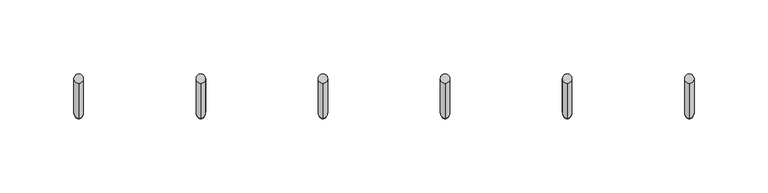
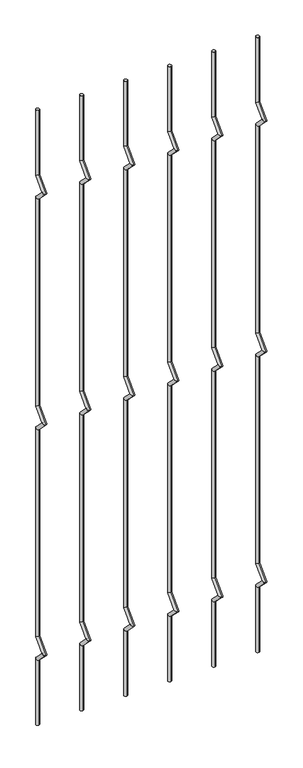
"""IFC4 building model written with IfcOpenShell, lengths in millimetres: railing geometry."""

from ifc_helpers import new_model, si_unit, frame, origin, place, context, project, spatial, circle_curve, ellipse_curve, source, transform, mapped, element, save
from ifc_brep_helpers import plane_surface, cylinder_surface, advanced_brep


def railing_c7742636(model_context):
    return source(origin(), model_context, "Body", "AdvancedBrep", [
        advanced_brep(
        [(-20893.6556958, 14808.5554142, 25.4), (-20893.6556958, 14802.2054142, 25.4), (-20893.6556958, 14802.2054142, 154.0342316), (-20893.6556958, 14808.5554142, 156.6644878), (-20893.6556958, 14778.4396458, 177.8), (-20893.6556958, 14787.419902, 177.8), (-20893.6556958, 14802.2054142, 201.5657684), (-20893.6556958, 14808.5554142, 198.9355122), (-20893.6556958, 14802.2054142, 611.2342316), (-20893.6556958, 14808.5554142, 613.8644878), (-20893.6556958, 14778.4396458, 635.0), (-20893.6556958, 14787.419902, 635.0), (-20893.6556958, 14802.2054142, 658.7657684), (-20893.6556958, 14808.5554142, 656.1355122), (-20893.6556958, 14802.2054142, 1068.4342316), (-20893.6556958, 14808.5554142, 1071.0644878), (-20893.6556958, 14778.4396458, 1092.2), (-20893.6556958, 14787.419902, 1092.2), (-20893.6556958, 14802.2054142, 1115.9657684), (-20893.6556958, 14808.5554142, 1113.3355122), (-20893.6556958, 14808.5554142, 1244.6), (-20893.6556958, 14802.2054142, 1244.6)],
        [
            (0, 1, circle_curve(frame((-20893.6556958, 14805.3804142, 25.4), z_axis=(0.0, 0.0, -1.0), x_axis=(0.0, -1.0, 0.0)), 3.175)),
            (1, 0, circle_curve(frame((-20893.6556958, 14805.3804142, 25.4), z_axis=(0.0, 0.0, -1.0), x_axis=(0.0, -1.0, 0.0)), 3.175)),
            (1, 2),
            (2, 3, ellipse_curve(frame((-20893.6556958, 14805.3804142, 155.3493597), z_axis=(0.0, 0.3826834323650955, -0.9238795325112844), x_axis=(0.0, -0.9238795325112845, -0.38268343236509544)), 3.4365952, 3.175)),
            (3, 0),
            (3, 2, ellipse_curve(frame((-20893.6556958, 14805.3804142, 155.3493597), z_axis=(0.0, 0.3826834323650955, -0.9238795325112844), x_axis=(0.0, -0.9238795325112845, -0.38268343236509544)), 3.4365952, 3.175)),
            (2, 4),
            (4, 5, ellipse_curve(frame((-20893.6556958, 14782.9297739, 177.8), z_axis=(0.0, 0.0, -1.0), x_axis=(0.0, 1.0, 0.0)), 4.4901281, 3.175)),
            (5, 3),
            (5, 4, ellipse_curve(frame((-20893.6556958, 14782.9297739, 177.8), z_axis=(0.0, 0.0, -1.0), x_axis=(0.0, 1.0, 0.0)), 4.4901281, 3.175)),
            (4, 6),
            (6, 7, ellipse_curve(frame((-20893.6556958, 14805.3804142, 200.2506403), z_axis=(0.0, -0.3826834323650839, -0.9238795325112892), x_axis=(0.0, -0.9238795325112893, 0.38268343236508373)), 3.4365952, 3.175)),
            (7, 5),
            (7, 6, ellipse_curve(frame((-20893.6556958, 14805.3804142, 200.2506403), z_axis=(0.0, -0.3826834323650839, -0.9238795325112892), x_axis=(0.0, -0.9238795325112893, 0.38268343236508373)), 3.4365952, 3.175)),
            (6, 8),
            (8, 9, ellipse_curve(frame((-20893.6556958, 14805.3804142, 612.5493597), z_axis=(0.0, 0.3826834323651024, -0.9238795325112816), x_axis=(0.0, -0.9238795325112816, -0.382683432365102)), 3.4365952, 3.175)),
            (9, 7),
            (9, 8, ellipse_curve(frame((-20893.6556958, 14805.3804142, 612.5493597), z_axis=(0.0, 0.3826834323651024, -0.9238795325112816), x_axis=(0.0, -0.9238795325112816, -0.382683432365102)), 3.4365952, 3.175)),
            (8, 10),
            (10, 11, ellipse_curve(frame((-20893.6556958, 14782.9297739, 635.0), z_axis=(0.0, 0.0, -1.0), x_axis=(0.0, 1.0, 0.0)), 4.4901281, 3.175)),
            (11, 9),
            (11, 10, ellipse_curve(frame((-20893.6556958, 14782.9297739, 635.0), z_axis=(0.0, 0.0, -1.0), x_axis=(0.0, 1.0, 0.0)), 4.4901281, 3.175)),
            (10, 12),
            (12, 13, ellipse_curve(frame((-20893.6556958, 14805.3804142, 657.4506403), z_axis=(0.0, -0.3826834323650771, -0.923879532511292), x_axis=(0.0, -0.9238795325112918, 0.3826834323650773)), 3.4365952, 3.175)),
            (13, 11),
            (13, 12, ellipse_curve(frame((-20893.6556958, 14805.3804142, 657.4506403), z_axis=(0.0, -0.3826834323650771, -0.923879532511292), x_axis=(0.0, -0.9238795325112918, 0.3826834323650773)), 3.4365952, 3.175)),
            (12, 14),
            (14, 15, ellipse_curve(frame((-20893.6556958, 14805.3804142, 1069.7493597), z_axis=(0.0, 0.3826834323650978, -0.9238795325112834), x_axis=(0.0, -0.9238795325112834, -0.382683432365098)), 3.4365952, 3.175)),
            (15, 13),
            (15, 14, ellipse_curve(frame((-20893.6556958, 14805.3804142, 1069.7493597), z_axis=(0.0, 0.3826834323650978, -0.9238795325112834), x_axis=(0.0, -0.9238795325112834, -0.382683432365098)), 3.4365952, 3.175)),
            (14, 16),
            (16, 17, ellipse_curve(frame((-20893.6556958, 14782.9297739, 1092.2), z_axis=(0.0, 0.0, -1.0), x_axis=(0.0, 1.0, 0.0)), 4.4901281, 3.175)),
            (17, 15),
            (17, 16, ellipse_curve(frame((-20893.6556958, 14782.9297739, 1092.2), z_axis=(0.0, 0.0, -1.0), x_axis=(0.0, 1.0, 0.0)), 4.4901281, 3.175)),
            (16, 18),
            (18, 19, ellipse_curve(frame((-20893.6556958, 14805.3804142, 1114.6506403), z_axis=(0.0, -0.38268343236508223, -0.9238795325112898), x_axis=(0.0, -0.92387953251129, 0.38268343236508207)), 3.4365952, 3.175)),
            (19, 17),
            (19, 18, ellipse_curve(frame((-20893.6556958, 14805.3804142, 1114.6506403), z_axis=(0.0, -0.38268343236508223, -0.9238795325112898), x_axis=(0.0, -0.92387953251129, 0.38268343236508207)), 3.4365952, 3.175)),
            (20, 21, circle_curve(frame((-20893.6556958, 14805.3804142, 1244.6), z_axis=(0.0, 0.0, 1.0), x_axis=(0.0, -1.0, 0.0)), 3.175)),
            (21, 20, circle_curve(frame((-20893.6556958, 14805.3804142, 1244.6), z_axis=(0.0, 0.0, 1.0), x_axis=(0.0, -1.0, 0.0)), 3.175)),
            (18, 21),
            (20, 19),
        ],
        [
            plane_surface(frame((-20893.6556958, 14805.3804142, 25.4), z_axis=(0.0, 0.0, -1.0), x_axis=(-1.0, 0.0, 0.0))),
            cylinder_surface(frame((-20893.6556958, 14805.3804142, 25.4), z_axis=(0.0, 0.0, -1.0), x_axis=(0.0, -1.0, 0.0)), 3.175),
            cylinder_surface(frame((-20893.6556958, 14805.3804142, 155.3493597), z_axis=(0.0, 0.7071067811865563, -0.7071067811865388), x_axis=(0.0, -0.7071067811865388, -0.7071067811865563)), 3.175),
            cylinder_surface(frame((-20893.6556958, 14782.9297739, 177.8), z_axis=(0.0, -0.7071067811865385, -0.7071067811865568), x_axis=(0.0, -0.7071067811865568, 0.7071067811865385)), 3.175),
            cylinder_surface(frame((-20893.6556958, 14805.3804142, 200.2506403), z_axis=(0.0, 0.0, -1.0), x_axis=(0.0, -1.0, 0.0)), 3.175),
            cylinder_surface(frame((-20893.6556958, 14805.3804142, 612.5493597), z_axis=(0.0, 0.7071067811865669, -0.707106781186528), x_axis=(0.0, -0.707106781186528, -0.7071067811865669)), 3.175),
            cylinder_surface(frame((-20893.6556958, 14782.9297739, 635.0), z_axis=(0.0, -0.7071067811865279, -0.7071067811865672), x_axis=(0.0, -0.7071067811865672, 0.7071067811865279)), 3.175),
            cylinder_surface(frame((-20893.6556958, 14805.3804142, 657.4506403), z_axis=(0.0, 0.0, -1.0), x_axis=(0.0, -1.0, 0.0)), 3.175),
            cylinder_surface(frame((-20893.6556958, 14805.3804142, 1069.7493597), z_axis=(0.0, 0.7071067811865601, -0.707106781186535), x_axis=(0.0, -0.707106781186535, -0.7071067811865601)), 3.175),
            cylinder_surface(frame((-20893.6556958, 14782.9297739, 1092.2), z_axis=(0.0, -0.7071067811865356, -0.7071067811865596), x_axis=(0.0, -0.7071067811865596, 0.7071067811865356)), 3.175),
            plane_surface(frame((-20893.6556958, 14805.3804142, 1244.6), z_axis=(0.0, 0.0, 1.0), x_axis=(-1.0, 0.0, 0.0))),
            cylinder_surface(frame((-20893.6556958, 14805.3804142, 1114.6506403), z_axis=(0.0, 0.0, -1.0), x_axis=(0.0, -1.0, 0.0)), 3.175),
        ],
        [
            (0, [[1, 2]]),
            (1, [[3, 4, 5, -2]]),
            (1, [[-5, 6, -3, -1]]),
            (2, [[7, 8, 9, -4]]),
            (2, [[-9, 10, -7, -6]]),
            (3, [[11, 12, 13, -8]]),
            (3, [[-13, 14, -11, -10]]),
            (4, [[15, 16, 17, -12]]),
            (4, [[-17, 18, -15, -14]]),
            (5, [[19, 20, 21, -16]]),
            (5, [[-21, 22, -19, -18]]),
            (6, [[23, 24, 25, -20]]),
            (6, [[-25, 26, -23, -22]]),
            (7, [[27, 28, 29, -24]]),
            (7, [[-29, 30, -27, -26]]),
            (8, [[31, 32, 33, -28]]),
            (8, [[-33, 34, -31, -30]]),
            (9, [[35, 36, 37, -32]]),
            (9, [[-37, 38, -35, -34]]),
            (10, [[39, 40]]),
            (11, [[41, -39, 42, -36]]),
            (11, [[-42, -40, -41, -38]]),
        ],
    ),
        advanced_brep(
        [(-20811.1056958, 14808.5554142, 25.4), (-20811.1056958, 14802.2054142, 25.4), (-20811.1056958, 14802.2054142, 154.0342316), (-20811.1056958, 14808.5554142, 156.6644878), (-20811.1056958, 14778.4396458, 177.8), (-20811.1056958, 14787.419902, 177.8), (-20811.1056958, 14802.2054142, 201.5657684), (-20811.1056958, 14808.5554142, 198.9355122), (-20811.1056958, 14802.2054142, 611.2342316), (-20811.1056958, 14808.5554142, 613.8644878), (-20811.1056958, 14778.4396458, 635.0), (-20811.1056958, 14787.419902, 635.0), (-20811.1056958, 14802.2054142, 658.7657684), (-20811.1056958, 14808.5554142, 656.1355122), (-20811.1056958, 14802.2054142, 1068.4342316), (-20811.1056958, 14808.5554142, 1071.0644878), (-20811.1056958, 14778.4396458, 1092.2), (-20811.1056958, 14787.419902, 1092.2), (-20811.1056958, 14802.2054142, 1115.9657684), (-20811.1056958, 14808.5554142, 1113.3355122), (-20811.1056958, 14808.5554142, 1244.6), (-20811.1056958, 14802.2054142, 1244.6)],
        [
            (0, 1, circle_curve(frame((-20811.1056958, 14805.3804142, 25.4), z_axis=(0.0, 0.0, -1.0), x_axis=(0.0, -1.0, 0.0)), 3.175)),
            (1, 0, circle_curve(frame((-20811.1056958, 14805.3804142, 25.4), z_axis=(0.0, 0.0, -1.0), x_axis=(0.0, -1.0, 0.0)), 3.175)),
            (1, 2),
            (2, 3, ellipse_curve(frame((-20811.1056958, 14805.3804142, 155.3493597), z_axis=(0.0, 0.3826834323650955, -0.9238795325112844), x_axis=(0.0, -0.9238795325112845, -0.38268343236509544)), 3.4365952, 3.175)),
            (3, 0),
            (3, 2, ellipse_curve(frame((-20811.1056958, 14805.3804142, 155.3493597), z_axis=(0.0, 0.3826834323650955, -0.9238795325112844), x_axis=(0.0, -0.9238795325112845, -0.38268343236509544)), 3.4365952, 3.175)),
            (2, 4),
            (4, 5, ellipse_curve(frame((-20811.1056958, 14782.9297739, 177.8), z_axis=(0.0, 0.0, -1.0), x_axis=(0.0, 1.0, 0.0)), 4.4901281, 3.175)),
            (5, 3),
            (5, 4, ellipse_curve(frame((-20811.1056958, 14782.9297739, 177.8), z_axis=(0.0, 0.0, -1.0), x_axis=(0.0, 1.0, 0.0)), 4.4901281, 3.175)),
            (4, 6),
            (6, 7, ellipse_curve(frame((-20811.1056958, 14805.3804142, 200.2506403), z_axis=(0.0, -0.3826834323650839, -0.9238795325112892), x_axis=(0.0, -0.9238795325112893, 0.38268343236508373)), 3.4365952, 3.175)),
            (7, 5),
            (7, 6, ellipse_curve(frame((-20811.1056958, 14805.3804142, 200.2506403), z_axis=(0.0, -0.3826834323650839, -0.9238795325112892), x_axis=(0.0, -0.9238795325112893, 0.38268343236508373)), 3.4365952, 3.175)),
            (6, 8),
            (8, 9, ellipse_curve(frame((-20811.1056958, 14805.3804142, 612.5493597), z_axis=(0.0, 0.3826834323651024, -0.9238795325112816), x_axis=(0.0, -0.9238795325112816, -0.382683432365102)), 3.4365952, 3.175)),
            (9, 7),
            (9, 8, ellipse_curve(frame((-20811.1056958, 14805.3804142, 612.5493597), z_axis=(0.0, 0.3826834323651024, -0.9238795325112816), x_axis=(0.0, -0.9238795325112816, -0.382683432365102)), 3.4365952, 3.175)),
            (8, 10),
            (10, 11, ellipse_curve(frame((-20811.1056958, 14782.9297739, 635.0), z_axis=(0.0, 0.0, -1.0), x_axis=(0.0, 1.0, 0.0)), 4.4901281, 3.175)),
            (11, 9),
            (11, 10, ellipse_curve(frame((-20811.1056958, 14782.9297739, 635.0), z_axis=(0.0, 0.0, -1.0), x_axis=(0.0, 1.0, 0.0)), 4.4901281, 3.175)),
            (10, 12),
            (12, 13, ellipse_curve(frame((-20811.1056958, 14805.3804142, 657.4506403), z_axis=(0.0, -0.3826834323650771, -0.923879532511292), x_axis=(0.0, -0.9238795325112918, 0.3826834323650773)), 3.4365952, 3.175)),
            (13, 11),
            (13, 12, ellipse_curve(frame((-20811.1056958, 14805.3804142, 657.4506403), z_axis=(0.0, -0.3826834323650771, -0.923879532511292), x_axis=(0.0, -0.9238795325112918, 0.3826834323650773)), 3.4365952, 3.175)),
            (12, 14),
            (14, 15, ellipse_curve(frame((-20811.1056958, 14805.3804142, 1069.7493597), z_axis=(0.0, 0.3826834323650978, -0.9238795325112834), x_axis=(0.0, -0.9238795325112834, -0.382683432365098)), 3.4365952, 3.175)),
            (15, 13),
            (15, 14, ellipse_curve(frame((-20811.1056958, 14805.3804142, 1069.7493597), z_axis=(0.0, 0.3826834323650978, -0.9238795325112834), x_axis=(0.0, -0.9238795325112834, -0.382683432365098)), 3.4365952, 3.175)),
            (14, 16),
            (16, 17, ellipse_curve(frame((-20811.1056958, 14782.9297739, 1092.2), z_axis=(0.0, 0.0, -1.0), x_axis=(0.0, 1.0, 0.0)), 4.4901281, 3.175)),
            (17, 15),
            (17, 16, ellipse_curve(frame((-20811.1056958, 14782.9297739, 1092.2), z_axis=(0.0, 0.0, -1.0), x_axis=(0.0, 1.0, 0.0)), 4.4901281, 3.175)),
            (16, 18),
            (18, 19, ellipse_curve(frame((-20811.1056958, 14805.3804142, 1114.6506403), z_axis=(0.0, -0.38268343236508223, -0.9238795325112898), x_axis=(0.0, -0.92387953251129, 0.38268343236508207)), 3.4365952, 3.175)),
            (19, 17),
            (19, 18, ellipse_curve(frame((-20811.1056958, 14805.3804142, 1114.6506403), z_axis=(0.0, -0.38268343236508223, -0.9238795325112898), x_axis=(0.0, -0.92387953251129, 0.38268343236508207)), 3.4365952, 3.175)),
            (20, 21, circle_curve(frame((-20811.1056958, 14805.3804142, 1244.6), z_axis=(0.0, 0.0, 1.0), x_axis=(0.0, -1.0, 0.0)), 3.175)),
            (21, 20, circle_curve(frame((-20811.1056958, 14805.3804142, 1244.6), z_axis=(0.0, 0.0, 1.0), x_axis=(0.0, -1.0, 0.0)), 3.175)),
            (18, 21),
            (20, 19),
        ],
        [
            plane_surface(frame((-20811.1056958, 14805.3804142, 25.4), z_axis=(0.0, 0.0, -1.0), x_axis=(-1.0, 0.0, 0.0))),
            cylinder_surface(frame((-20811.1056958, 14805.3804142, 25.4), z_axis=(0.0, 0.0, -1.0), x_axis=(0.0, -1.0, 0.0)), 3.175),
            cylinder_surface(frame((-20811.1056958, 14805.3804142, 155.3493597), z_axis=(0.0, 0.7071067811865563, -0.7071067811865388), x_axis=(0.0, -0.7071067811865388, -0.7071067811865563)), 3.175),
            cylinder_surface(frame((-20811.1056958, 14782.9297739, 177.8), z_axis=(0.0, -0.7071067811865385, -0.7071067811865568), x_axis=(0.0, -0.7071067811865568, 0.7071067811865385)), 3.175),
            cylinder_surface(frame((-20811.1056958, 14805.3804142, 200.2506403), z_axis=(0.0, 0.0, -1.0), x_axis=(0.0, -1.0, 0.0)), 3.175),
            cylinder_surface(frame((-20811.1056958, 14805.3804142, 612.5493597), z_axis=(0.0, 0.7071067811865669, -0.707106781186528), x_axis=(0.0, -0.707106781186528, -0.7071067811865669)), 3.175),
            cylinder_surface(frame((-20811.1056958, 14782.9297739, 635.0), z_axis=(0.0, -0.7071067811865279, -0.7071067811865672), x_axis=(0.0, -0.7071067811865672, 0.7071067811865279)), 3.175),
            cylinder_surface(frame((-20811.1056958, 14805.3804142, 657.4506403), z_axis=(0.0, 0.0, -1.0), x_axis=(0.0, -1.0, 0.0)), 3.175),
            cylinder_surface(frame((-20811.1056958, 14805.3804142, 1069.7493597), z_axis=(0.0, 0.7071067811865601, -0.707106781186535), x_axis=(0.0, -0.707106781186535, -0.7071067811865601)), 3.175),
            cylinder_surface(frame((-20811.1056958, 14782.9297739, 1092.2), z_axis=(0.0, -0.7071067811865356, -0.7071067811865596), x_axis=(0.0, -0.7071067811865596, 0.7071067811865356)), 3.175),
            plane_surface(frame((-20811.1056958, 14805.3804142, 1244.6), z_axis=(0.0, 0.0, 1.0), x_axis=(-1.0, 0.0, 0.0))),
            cylinder_surface(frame((-20811.1056958, 14805.3804142, 1114.6506403), z_axis=(0.0, 0.0, -1.0), x_axis=(0.0, -1.0, 0.0)), 3.175),
        ],
        [
            (0, [[1, 2]]),
            (1, [[3, 4, 5, -2]]),
            (1, [[-5, 6, -3, -1]]),
            (2, [[7, 8, 9, -4]]),
            (2, [[-9, 10, -7, -6]]),
            (3, [[11, 12, 13, -8]]),
            (3, [[-13, 14, -11, -10]]),
            (4, [[15, 16, 17, -12]]),
            (4, [[-17, 18, -15, -14]]),
            (5, [[19, 20, 21, -16]]),
            (5, [[-21, 22, -19, -18]]),
            (6, [[23, 24, 25, -20]]),
            (6, [[-25, 26, -23, -22]]),
            (7, [[27, 28, 29, -24]]),
            (7, [[-29, 30, -27, -26]]),
            (8, [[31, 32, 33, -28]]),
            (8, [[-33, 34, -31, -30]]),
            (9, [[35, 36, 37, -32]]),
            (9, [[-37, 38, -35, -34]]),
            (10, [[39, 40]]),
            (11, [[41, -39, 42, -36]]),
            (11, [[-42, -40, -41, -38]]),
        ],
    ),
        advanced_brep(
        [(-20728.5556958, 14808.5554142, 25.4), (-20728.5556958, 14802.2054142, 25.4), (-20728.5556958, 14802.2054142, 154.0342316), (-20728.5556958, 14808.5554142, 156.6644878), (-20728.5556958, 14778.4396458, 177.8), (-20728.5556958, 14787.419902, 177.8), (-20728.5556958, 14802.2054142, 201.5657684), (-20728.5556958, 14808.5554142, 198.9355122), (-20728.5556958, 14802.2054142, 611.2342316), (-20728.5556958, 14808.5554142, 613.8644878), (-20728.5556958, 14778.4396458, 635.0), (-20728.5556958, 14787.419902, 635.0), (-20728.5556958, 14802.2054142, 658.7657684), (-20728.5556958, 14808.5554142, 656.1355122), (-20728.5556958, 14802.2054142, 1068.4342316), (-20728.5556958, 14808.5554142, 1071.0644878), (-20728.5556958, 14778.4396458, 1092.2), (-20728.5556958, 14787.419902, 1092.2), (-20728.5556958, 14802.2054142, 1115.9657684), (-20728.5556958, 14808.5554142, 1113.3355122), (-20728.5556958, 14808.5554142, 1244.6), (-20728.5556958, 14802.2054142, 1244.6)],
        [
            (0, 1, circle_curve(frame((-20728.5556958, 14805.3804142, 25.4), z_axis=(0.0, 0.0, -1.0), x_axis=(0.0, -1.0, 0.0)), 3.175)),
            (1, 0, circle_curve(frame((-20728.5556958, 14805.3804142, 25.4), z_axis=(0.0, 0.0, -1.0), x_axis=(0.0, -1.0, 0.0)), 3.175)),
            (1, 2),
            (2, 3, ellipse_curve(frame((-20728.5556958, 14805.3804142, 155.3493597), z_axis=(0.0, 0.3826834323650955, -0.9238795325112844), x_axis=(0.0, -0.9238795325112845, -0.38268343236509544)), 3.4365952, 3.175)),
            (3, 0),
            (3, 2, ellipse_curve(frame((-20728.5556958, 14805.3804142, 155.3493597), z_axis=(0.0, 0.3826834323650955, -0.9238795325112844), x_axis=(0.0, -0.9238795325112845, -0.38268343236509544)), 3.4365952, 3.175)),
            (2, 4),
            (4, 5, ellipse_curve(frame((-20728.5556958, 14782.9297739, 177.8), z_axis=(0.0, 0.0, -1.0), x_axis=(0.0, 1.0, 0.0)), 4.4901281, 3.175)),
            (5, 3),
            (5, 4, ellipse_curve(frame((-20728.5556958, 14782.9297739, 177.8), z_axis=(0.0, 0.0, -1.0), x_axis=(0.0, 1.0, 0.0)), 4.4901281, 3.175)),
            (4, 6),
            (6, 7, ellipse_curve(frame((-20728.5556958, 14805.3804142, 200.2506403), z_axis=(0.0, -0.3826834323650839, -0.9238795325112892), x_axis=(0.0, -0.9238795325112893, 0.38268343236508373)), 3.4365952, 3.175)),
            (7, 5),
            (7, 6, ellipse_curve(frame((-20728.5556958, 14805.3804142, 200.2506403), z_axis=(0.0, -0.3826834323650839, -0.9238795325112892), x_axis=(0.0, -0.9238795325112893, 0.38268343236508373)), 3.4365952, 3.175)),
            (6, 8),
            (8, 9, ellipse_curve(frame((-20728.5556958, 14805.3804142, 612.5493597), z_axis=(0.0, 0.3826834323651024, -0.9238795325112816), x_axis=(0.0, -0.9238795325112816, -0.382683432365102)), 3.4365952, 3.175)),
            (9, 7),
            (9, 8, ellipse_curve(frame((-20728.5556958, 14805.3804142, 612.5493597), z_axis=(0.0, 0.3826834323651024, -0.9238795325112816), x_axis=(0.0, -0.9238795325112816, -0.382683432365102)), 3.4365952, 3.175)),
            (8, 10),
            (10, 11, ellipse_curve(frame((-20728.5556958, 14782.9297739, 635.0), z_axis=(0.0, 0.0, -1.0), x_axis=(0.0, 1.0, 0.0)), 4.4901281, 3.175)),
            (11, 9),
            (11, 10, ellipse_curve(frame((-20728.5556958, 14782.9297739, 635.0), z_axis=(0.0, 0.0, -1.0), x_axis=(0.0, 1.0, 0.0)), 4.4901281, 3.175)),
            (10, 12),
            (12, 13, ellipse_curve(frame((-20728.5556958, 14805.3804142, 657.4506403), z_axis=(0.0, -0.3826834323650771, -0.923879532511292), x_axis=(0.0, -0.9238795325112918, 0.3826834323650773)), 3.4365952, 3.175)),
            (13, 11),
            (13, 12, ellipse_curve(frame((-20728.5556958, 14805.3804142, 657.4506403), z_axis=(0.0, -0.3826834323650771, -0.923879532511292), x_axis=(0.0, -0.9238795325112918, 0.3826834323650773)), 3.4365952, 3.175)),
            (12, 14),
            (14, 15, ellipse_curve(frame((-20728.5556958, 14805.3804142, 1069.7493597), z_axis=(0.0, 0.3826834323650978, -0.9238795325112834), x_axis=(0.0, -0.9238795325112834, -0.382683432365098)), 3.4365952, 3.175)),
            (15, 13),
            (15, 14, ellipse_curve(frame((-20728.5556958, 14805.3804142, 1069.7493597), z_axis=(0.0, 0.3826834323650978, -0.9238795325112834), x_axis=(0.0, -0.9238795325112834, -0.382683432365098)), 3.4365952, 3.175)),
            (14, 16),
            (16, 17, ellipse_curve(frame((-20728.5556958, 14782.9297739, 1092.2), z_axis=(0.0, 0.0, -1.0), x_axis=(0.0, 1.0, 0.0)), 4.4901281, 3.175)),
            (17, 15),
            (17, 16, ellipse_curve(frame((-20728.5556958, 14782.9297739, 1092.2), z_axis=(0.0, 0.0, -1.0), x_axis=(0.0, 1.0, 0.0)), 4.4901281, 3.175)),
            (16, 18),
            (18, 19, ellipse_curve(frame((-20728.5556958, 14805.3804142, 1114.6506403), z_axis=(0.0, -0.38268343236508223, -0.9238795325112898), x_axis=(0.0, -0.92387953251129, 0.38268343236508207)), 3.4365952, 3.175)),
            (19, 17),
            (19, 18, ellipse_curve(frame((-20728.5556958, 14805.3804142, 1114.6506403), z_axis=(0.0, -0.38268343236508223, -0.9238795325112898), x_axis=(0.0, -0.92387953251129, 0.38268343236508207)), 3.4365952, 3.175)),
            (20, 21, circle_curve(frame((-20728.5556958, 14805.3804142, 1244.6), z_axis=(0.0, 0.0, 1.0), x_axis=(0.0, -1.0, 0.0)), 3.175)),
            (21, 20, circle_curve(frame((-20728.5556958, 14805.3804142, 1244.6), z_axis=(0.0, 0.0, 1.0), x_axis=(0.0, -1.0, 0.0)), 3.175)),
            (18, 21),
            (20, 19),
        ],
        [
            plane_surface(frame((-20728.5556958, 14805.3804142, 25.4), z_axis=(0.0, 0.0, -1.0), x_axis=(-1.0, 0.0, 0.0))),
            cylinder_surface(frame((-20728.5556958, 14805.3804142, 25.4), z_axis=(0.0, 0.0, -1.0), x_axis=(0.0, -1.0, 0.0)), 3.175),
            cylinder_surface(frame((-20728.5556958, 14805.3804142, 155.3493597), z_axis=(0.0, 0.7071067811865563, -0.7071067811865388), x_axis=(0.0, -0.7071067811865388, -0.7071067811865563)), 3.175),
            cylinder_surface(frame((-20728.5556958, 14782.9297739, 177.8), z_axis=(0.0, -0.7071067811865385, -0.7071067811865568), x_axis=(0.0, -0.7071067811865568, 0.7071067811865385)), 3.175),
            cylinder_surface(frame((-20728.5556958, 14805.3804142, 200.2506403), z_axis=(0.0, 0.0, -1.0), x_axis=(0.0, -1.0, 0.0)), 3.175),
            cylinder_surface(frame((-20728.5556958, 14805.3804142, 612.5493597), z_axis=(0.0, 0.7071067811865669, -0.707106781186528), x_axis=(0.0, -0.707106781186528, -0.7071067811865669)), 3.175),
            cylinder_surface(frame((-20728.5556958, 14782.9297739, 635.0), z_axis=(0.0, -0.7071067811865279, -0.7071067811865672), x_axis=(0.0, -0.7071067811865672, 0.7071067811865279)), 3.175),
            cylinder_surface(frame((-20728.5556958, 14805.3804142, 657.4506403), z_axis=(0.0, 0.0, -1.0), x_axis=(0.0, -1.0, 0.0)), 3.175),
            cylinder_surface(frame((-20728.5556958, 14805.3804142, 1069.7493597), z_axis=(0.0, 0.7071067811865601, -0.707106781186535), x_axis=(0.0, -0.707106781186535, -0.7071067811865601)), 3.175),
            cylinder_surface(frame((-20728.5556958, 14782.9297739, 1092.2), z_axis=(0.0, -0.7071067811865356, -0.7071067811865596), x_axis=(0.0, -0.7071067811865596, 0.7071067811865356)), 3.175),
            plane_surface(frame((-20728.5556958, 14805.3804142, 1244.6), z_axis=(0.0, 0.0, 1.0), x_axis=(-1.0, 0.0, 0.0))),
            cylinder_surface(frame((-20728.5556958, 14805.3804142, 1114.6506403), z_axis=(0.0, 0.0, -1.0), x_axis=(0.0, -1.0, 0.0)), 3.175),
        ],
        [
            (0, [[1, 2]]),
            (1, [[3, 4, 5, -2]]),
            (1, [[-5, 6, -3, -1]]),
            (2, [[7, 8, 9, -4]]),
            (2, [[-9, 10, -7, -6]]),
            (3, [[11, 12, 13, -8]]),
            (3, [[-13, 14, -11, -10]]),
            (4, [[15, 16, 17, -12]]),
            (4, [[-17, 18, -15, -14]]),
            (5, [[19, 20, 21, -16]]),
            (5, [[-21, 22, -19, -18]]),
            (6, [[23, 24, 25, -20]]),
            (6, [[-25, 26, -23, -22]]),
            (7, [[27, 28, 29, -24]]),
            (7, [[-29, 30, -27, -26]]),
            (8, [[31, 32, 33, -28]]),
            (8, [[-33, 34, -31, -30]]),
            (9, [[35, 36, 37, -32]]),
            (9, [[-37, 38, -35, -34]]),
            (10, [[39, 40]]),
            (11, [[41, -39, 42, -36]]),
            (11, [[-42, -40, -41, -38]]),
        ],
    ),
        advanced_brep(
        [(-20646.0056958, 14808.5554142, 25.4), (-20646.0056958, 14802.2054142, 25.4), (-20646.0056958, 14802.2054142, 154.0342316), (-20646.0056958, 14808.5554142, 156.6644878), (-20646.0056958, 14778.4396458, 177.8), (-20646.0056958, 14787.419902, 177.8), (-20646.0056958, 14802.2054142, 201.5657684), (-20646.0056958, 14808.5554142, 198.9355122), (-20646.0056958, 14802.2054142, 611.2342316), (-20646.0056958, 14808.5554142, 613.8644878), (-20646.0056958, 14778.4396458, 635.0), (-20646.0056958, 14787.419902, 635.0), (-20646.0056958, 14802.2054142, 658.7657684), (-20646.0056958, 14808.5554142, 656.1355122), (-20646.0056958, 14802.2054142, 1068.4342316), (-20646.0056958, 14808.5554142, 1071.0644878), (-20646.0056958, 14778.4396458, 1092.2), (-20646.0056958, 14787.419902, 1092.2), (-20646.0056958, 14802.2054142, 1115.9657684), (-20646.0056958, 14808.5554142, 1113.3355122), (-20646.0056958, 14808.5554142, 1244.6), (-20646.0056958, 14802.2054142, 1244.6)],
        [
            (0, 1, circle_curve(frame((-20646.0056958, 14805.3804142, 25.4), z_axis=(0.0, 0.0, -1.0), x_axis=(0.0, -1.0, 0.0)), 3.175)),
            (1, 0, circle_curve(frame((-20646.0056958, 14805.3804142, 25.4), z_axis=(0.0, 0.0, -1.0), x_axis=(0.0, -1.0, 0.0)), 3.175)),
            (1, 2),
            (2, 3, ellipse_curve(frame((-20646.0056958, 14805.3804142, 155.3493597), z_axis=(0.0, 0.3826834323650955, -0.9238795325112844), x_axis=(0.0, -0.9238795325112845, -0.38268343236509544)), 3.4365952, 3.175)),
            (3, 0),
            (3, 2, ellipse_curve(frame((-20646.0056958, 14805.3804142, 155.3493597), z_axis=(0.0, 0.3826834323650955, -0.9238795325112844), x_axis=(0.0, -0.9238795325112845, -0.38268343236509544)), 3.4365952, 3.175)),
            (2, 4),
            (4, 5, ellipse_curve(frame((-20646.0056958, 14782.9297739, 177.8), z_axis=(0.0, 0.0, -1.0), x_axis=(0.0, 1.0, 0.0)), 4.4901281, 3.175)),
            (5, 3),
            (5, 4, ellipse_curve(frame((-20646.0056958, 14782.9297739, 177.8), z_axis=(0.0, 0.0, -1.0), x_axis=(0.0, 1.0, 0.0)), 4.4901281, 3.175)),
            (4, 6),
            (6, 7, ellipse_curve(frame((-20646.0056958, 14805.3804142, 200.2506403), z_axis=(0.0, -0.3826834323650839, -0.9238795325112892), x_axis=(0.0, -0.9238795325112893, 0.38268343236508373)), 3.4365952, 3.175)),
            (7, 5),
            (7, 6, ellipse_curve(frame((-20646.0056958, 14805.3804142, 200.2506403), z_axis=(0.0, -0.3826834323650839, -0.9238795325112892), x_axis=(0.0, -0.9238795325112893, 0.38268343236508373)), 3.4365952, 3.175)),
            (6, 8),
            (8, 9, ellipse_curve(frame((-20646.0056958, 14805.3804142, 612.5493597), z_axis=(0.0, 0.3826834323651024, -0.9238795325112816), x_axis=(0.0, -0.9238795325112816, -0.382683432365102)), 3.4365952, 3.175)),
            (9, 7),
            (9, 8, ellipse_curve(frame((-20646.0056958, 14805.3804142, 612.5493597), z_axis=(0.0, 0.3826834323651024, -0.9238795325112816), x_axis=(0.0, -0.9238795325112816, -0.382683432365102)), 3.4365952, 3.175)),
            (8, 10),
            (10, 11, ellipse_curve(frame((-20646.0056958, 14782.9297739, 635.0), z_axis=(0.0, 0.0, -1.0), x_axis=(0.0, 1.0, 0.0)), 4.4901281, 3.175)),
            (11, 9),
            (11, 10, ellipse_curve(frame((-20646.0056958, 14782.9297739, 635.0), z_axis=(0.0, 0.0, -1.0), x_axis=(0.0, 1.0, 0.0)), 4.4901281, 3.175)),
            (10, 12),
            (12, 13, ellipse_curve(frame((-20646.0056958, 14805.3804142, 657.4506403), z_axis=(0.0, -0.3826834323650771, -0.923879532511292), x_axis=(0.0, -0.9238795325112918, 0.3826834323650773)), 3.4365952, 3.175)),
            (13, 11),
            (13, 12, ellipse_curve(frame((-20646.0056958, 14805.3804142, 657.4506403), z_axis=(0.0, -0.3826834323650771, -0.923879532511292), x_axis=(0.0, -0.9238795325112918, 0.3826834323650773)), 3.4365952, 3.175)),
            (12, 14),
            (14, 15, ellipse_curve(frame((-20646.0056958, 14805.3804142, 1069.7493597), z_axis=(0.0, 0.3826834323650978, -0.9238795325112834), x_axis=(0.0, -0.9238795325112834, -0.382683432365098)), 3.4365952, 3.175)),
            (15, 13),
            (15, 14, ellipse_curve(frame((-20646.0056958, 14805.3804142, 1069.7493597), z_axis=(0.0, 0.3826834323650978, -0.9238795325112834), x_axis=(0.0, -0.9238795325112834, -0.382683432365098)), 3.4365952, 3.175)),
            (14, 16),
            (16, 17, ellipse_curve(frame((-20646.0056958, 14782.9297739, 1092.2), z_axis=(0.0, 0.0, -1.0), x_axis=(0.0, 1.0, 0.0)), 4.4901281, 3.175)),
            (17, 15),
            (17, 16, ellipse_curve(frame((-20646.0056958, 14782.9297739, 1092.2), z_axis=(0.0, 0.0, -1.0), x_axis=(0.0, 1.0, 0.0)), 4.4901281, 3.175)),
            (16, 18),
            (18, 19, ellipse_curve(frame((-20646.0056958, 14805.3804142, 1114.6506403), z_axis=(0.0, -0.38268343236508223, -0.9238795325112898), x_axis=(0.0, -0.92387953251129, 0.38268343236508207)), 3.4365952, 3.175)),
            (19, 17),
            (19, 18, ellipse_curve(frame((-20646.0056958, 14805.3804142, 1114.6506403), z_axis=(0.0, -0.38268343236508223, -0.9238795325112898), x_axis=(0.0, -0.92387953251129, 0.38268343236508207)), 3.4365952, 3.175)),
            (20, 21, circle_curve(frame((-20646.0056958, 14805.3804142, 1244.6), z_axis=(0.0, 0.0, 1.0), x_axis=(0.0, -1.0, 0.0)), 3.175)),
            (21, 20, circle_curve(frame((-20646.0056958, 14805.3804142, 1244.6), z_axis=(0.0, 0.0, 1.0), x_axis=(0.0, -1.0, 0.0)), 3.175)),
            (18, 21),
            (20, 19),
        ],
        [
            plane_surface(frame((-20646.0056958, 14805.3804142, 25.4), z_axis=(0.0, 0.0, -1.0), x_axis=(-1.0, 0.0, 0.0))),
            cylinder_surface(frame((-20646.0056958, 14805.3804142, 25.4), z_axis=(0.0, 0.0, -1.0), x_axis=(0.0, -1.0, 0.0)), 3.175),
            cylinder_surface(frame((-20646.0056958, 14805.3804142, 155.3493597), z_axis=(0.0, 0.7071067811865563, -0.7071067811865388), x_axis=(0.0, -0.7071067811865388, -0.7071067811865563)), 3.175),
            cylinder_surface(frame((-20646.0056958, 14782.9297739, 177.8), z_axis=(0.0, -0.7071067811865385, -0.7071067811865568), x_axis=(0.0, -0.7071067811865568, 0.7071067811865385)), 3.175),
            cylinder_surface(frame((-20646.0056958, 14805.3804142, 200.2506403), z_axis=(0.0, 0.0, -1.0), x_axis=(0.0, -1.0, 0.0)), 3.175),
            cylinder_surface(frame((-20646.0056958, 14805.3804142, 612.5493597), z_axis=(0.0, 0.7071067811865669, -0.707106781186528), x_axis=(0.0, -0.707106781186528, -0.7071067811865669)), 3.175),
            cylinder_surface(frame((-20646.0056958, 14782.9297739, 635.0), z_axis=(0.0, -0.7071067811865279, -0.7071067811865672), x_axis=(0.0, -0.7071067811865672, 0.7071067811865279)), 3.175),
            cylinder_surface(frame((-20646.0056958, 14805.3804142, 657.4506403), z_axis=(0.0, 0.0, -1.0), x_axis=(0.0, -1.0, 0.0)), 3.175),
            cylinder_surface(frame((-20646.0056958, 14805.3804142, 1069.7493597), z_axis=(0.0, 0.7071067811865601, -0.707106781186535), x_axis=(0.0, -0.707106781186535, -0.7071067811865601)), 3.175),
            cylinder_surface(frame((-20646.0056958, 14782.9297739, 1092.2), z_axis=(0.0, -0.7071067811865356, -0.7071067811865596), x_axis=(0.0, -0.7071067811865596, 0.7071067811865356)), 3.175),
            plane_surface(frame((-20646.0056958, 14805.3804142, 1244.6), z_axis=(0.0, 0.0, 1.0), x_axis=(-1.0, 0.0, 0.0))),
            cylinder_surface(frame((-20646.0056958, 14805.3804142, 1114.6506403), z_axis=(0.0, 0.0, -1.0), x_axis=(0.0, -1.0, 0.0)), 3.175),
        ],
        [
            (0, [[1, 2]]),
            (1, [[3, 4, 5, -2]]),
            (1, [[-5, 6, -3, -1]]),
            (2, [[7, 8, 9, -4]]),
            (2, [[-9, 10, -7, -6]]),
            (3, [[11, 12, 13, -8]]),
            (3, [[-13, 14, -11, -10]]),
            (4, [[15, 16, 17, -12]]),
            (4, [[-17, 18, -15, -14]]),
            (5, [[19, 20, 21, -16]]),
            (5, [[-21, 22, -19, -18]]),
            (6, [[23, 24, 25, -20]]),
            (6, [[-25, 26, -23, -22]]),
            (7, [[27, 28, 29, -24]]),
            (7, [[-29, 30, -27, -26]]),
            (8, [[31, 32, 33, -28]]),
            (8, [[-33, 34, -31, -30]]),
            (9, [[35, 36, 37, -32]]),
            (9, [[-37, 38, -35, -34]]),
            (10, [[39, 40]]),
            (11, [[41, -39, 42, -36]]),
            (11, [[-42, -40, -41, -38]]),
        ],
    ),
        advanced_brep(
        [(-20563.4556958, 14808.5554142, 25.4), (-20563.4556958, 14802.2054142, 25.4), (-20563.4556958, 14802.2054142, 154.0342316), (-20563.4556958, 14808.5554142, 156.6644878), (-20563.4556958, 14778.4396458, 177.8), (-20563.4556958, 14787.419902, 177.8), (-20563.4556958, 14802.2054142, 201.5657684), (-20563.4556958, 14808.5554142, 198.9355122), (-20563.4556958, 14802.2054142, 611.2342316), (-20563.4556958, 14808.5554142, 613.8644878), (-20563.4556958, 14778.4396458, 635.0), (-20563.4556958, 14787.419902, 635.0), (-20563.4556958, 14802.2054142, 658.7657684), (-20563.4556958, 14808.5554142, 656.1355122), (-20563.4556958, 14802.2054142, 1068.4342316), (-20563.4556958, 14808.5554142, 1071.0644878), (-20563.4556958, 14778.4396458, 1092.2), (-20563.4556958, 14787.419902, 1092.2), (-20563.4556958, 14802.2054142, 1115.9657684), (-20563.4556958, 14808.5554142, 1113.3355122), (-20563.4556958, 14808.5554142, 1244.6), (-20563.4556958, 14802.2054142, 1244.6)],
        [
            (0, 1, circle_curve(frame((-20563.4556958, 14805.3804142, 25.4), z_axis=(0.0, 0.0, -1.0), x_axis=(0.0, -1.0, 0.0)), 3.175)),
            (1, 0, circle_curve(frame((-20563.4556958, 14805.3804142, 25.4), z_axis=(0.0, 0.0, -1.0), x_axis=(0.0, -1.0, 0.0)), 3.175)),
            (1, 2),
            (2, 3, ellipse_curve(frame((-20563.4556958, 14805.3804142, 155.3493597), z_axis=(0.0, 0.3826834323650955, -0.9238795325112844), x_axis=(0.0, -0.9238795325112845, -0.38268343236509544)), 3.4365952, 3.175)),
            (3, 0),
            (3, 2, ellipse_curve(frame((-20563.4556958, 14805.3804142, 155.3493597), z_axis=(0.0, 0.3826834323650955, -0.9238795325112844), x_axis=(0.0, -0.9238795325112845, -0.38268343236509544)), 3.4365952, 3.175)),
            (2, 4),
            (4, 5, ellipse_curve(frame((-20563.4556958, 14782.9297739, 177.8), z_axis=(0.0, 0.0, -1.0), x_axis=(0.0, 1.0, 0.0)), 4.4901281, 3.175)),
            (5, 3),
            (5, 4, ellipse_curve(frame((-20563.4556958, 14782.9297739, 177.8), z_axis=(0.0, 0.0, -1.0), x_axis=(0.0, 1.0, 0.0)), 4.4901281, 3.175)),
            (4, 6),
            (6, 7, ellipse_curve(frame((-20563.4556958, 14805.3804142, 200.2506403), z_axis=(0.0, -0.3826834323650839, -0.9238795325112892), x_axis=(0.0, -0.9238795325112893, 0.38268343236508373)), 3.4365952, 3.175)),
            (7, 5),
            (7, 6, ellipse_curve(frame((-20563.4556958, 14805.3804142, 200.2506403), z_axis=(0.0, -0.3826834323650839, -0.9238795325112892), x_axis=(0.0, -0.9238795325112893, 0.38268343236508373)), 3.4365952, 3.175)),
            (6, 8),
            (8, 9, ellipse_curve(frame((-20563.4556958, 14805.3804142, 612.5493597), z_axis=(0.0, 0.3826834323651024, -0.9238795325112816), x_axis=(0.0, -0.9238795325112816, -0.382683432365102)), 3.4365952, 3.175)),
            (9, 7),
            (9, 8, ellipse_curve(frame((-20563.4556958, 14805.3804142, 612.5493597), z_axis=(0.0, 0.3826834323651024, -0.9238795325112816), x_axis=(0.0, -0.9238795325112816, -0.382683432365102)), 3.4365952, 3.175)),
            (8, 10),
            (10, 11, ellipse_curve(frame((-20563.4556958, 14782.9297739, 635.0), z_axis=(0.0, 0.0, -1.0), x_axis=(0.0, 1.0, 0.0)), 4.4901281, 3.175)),
            (11, 9),
            (11, 10, ellipse_curve(frame((-20563.4556958, 14782.9297739, 635.0), z_axis=(0.0, 0.0, -1.0), x_axis=(0.0, 1.0, 0.0)), 4.4901281, 3.175)),
            (10, 12),
            (12, 13, ellipse_curve(frame((-20563.4556958, 14805.3804142, 657.4506403), z_axis=(0.0, -0.3826834323650771, -0.923879532511292), x_axis=(0.0, -0.9238795325112918, 0.3826834323650773)), 3.4365952, 3.175)),
            (13, 11),
            (13, 12, ellipse_curve(frame((-20563.4556958, 14805.3804142, 657.4506403), z_axis=(0.0, -0.3826834323650771, -0.923879532511292), x_axis=(0.0, -0.9238795325112918, 0.3826834323650773)), 3.4365952, 3.175)),
            (12, 14),
            (14, 15, ellipse_curve(frame((-20563.4556958, 14805.3804142, 1069.7493597), z_axis=(0.0, 0.3826834323650978, -0.9238795325112834), x_axis=(0.0, -0.9238795325112834, -0.382683432365098)), 3.4365952, 3.175)),
            (15, 13),
            (15, 14, ellipse_curve(frame((-20563.4556958, 14805.3804142, 1069.7493597), z_axis=(0.0, 0.3826834323650978, -0.9238795325112834), x_axis=(0.0, -0.9238795325112834, -0.382683432365098)), 3.4365952, 3.175)),
            (14, 16),
            (16, 17, ellipse_curve(frame((-20563.4556958, 14782.9297739, 1092.2), z_axis=(0.0, 0.0, -1.0), x_axis=(0.0, 1.0, 0.0)), 4.4901281, 3.175)),
            (17, 15),
            (17, 16, ellipse_curve(frame((-20563.4556958, 14782.9297739, 1092.2), z_axis=(0.0, 0.0, -1.0), x_axis=(0.0, 1.0, 0.0)), 4.4901281, 3.175)),
            (16, 18),
            (18, 19, ellipse_curve(frame((-20563.4556958, 14805.3804142, 1114.6506403), z_axis=(0.0, -0.38268343236508223, -0.9238795325112898), x_axis=(0.0, -0.92387953251129, 0.38268343236508207)), 3.4365952, 3.175)),
            (19, 17),
            (19, 18, ellipse_curve(frame((-20563.4556958, 14805.3804142, 1114.6506403), z_axis=(0.0, -0.38268343236508223, -0.9238795325112898), x_axis=(0.0, -0.92387953251129, 0.38268343236508207)), 3.4365952, 3.175)),
            (20, 21, circle_curve(frame((-20563.4556958, 14805.3804142, 1244.6), z_axis=(0.0, 0.0, 1.0), x_axis=(0.0, -1.0, 0.0)), 3.175)),
            (21, 20, circle_curve(frame((-20563.4556958, 14805.3804142, 1244.6), z_axis=(0.0, 0.0, 1.0), x_axis=(0.0, -1.0, 0.0)), 3.175)),
            (18, 21),
            (20, 19),
        ],
        [
            plane_surface(frame((-20563.4556958, 14805.3804142, 25.4), z_axis=(0.0, 0.0, -1.0), x_axis=(-1.0, 0.0, 0.0))),
            cylinder_surface(frame((-20563.4556958, 14805.3804142, 25.4), z_axis=(0.0, 0.0, -1.0), x_axis=(0.0, -1.0, 0.0)), 3.175),
            cylinder_surface(frame((-20563.4556958, 14805.3804142, 155.3493597), z_axis=(0.0, 0.7071067811865563, -0.7071067811865388), x_axis=(0.0, -0.7071067811865388, -0.7071067811865563)), 3.175),
            cylinder_surface(frame((-20563.4556958, 14782.9297739, 177.8), z_axis=(0.0, -0.7071067811865385, -0.7071067811865568), x_axis=(0.0, -0.7071067811865568, 0.7071067811865385)), 3.175),
            cylinder_surface(frame((-20563.4556958, 14805.3804142, 200.2506403), z_axis=(0.0, 0.0, -1.0), x_axis=(0.0, -1.0, 0.0)), 3.175),
            cylinder_surface(frame((-20563.4556958, 14805.3804142, 612.5493597), z_axis=(0.0, 0.7071067811865669, -0.707106781186528), x_axis=(0.0, -0.707106781186528, -0.7071067811865669)), 3.175),
            cylinder_surface(frame((-20563.4556958, 14782.9297739, 635.0), z_axis=(0.0, -0.7071067811865279, -0.7071067811865672), x_axis=(0.0, -0.7071067811865672, 0.7071067811865279)), 3.175),
            cylinder_surface(frame((-20563.4556958, 14805.3804142, 657.4506403), z_axis=(0.0, 0.0, -1.0), x_axis=(0.0, -1.0, 0.0)), 3.175),
            cylinder_surface(frame((-20563.4556958, 14805.3804142, 1069.7493597), z_axis=(0.0, 0.7071067811865601, -0.707106781186535), x_axis=(0.0, -0.707106781186535, -0.7071067811865601)), 3.175),
            cylinder_surface(frame((-20563.4556958, 14782.9297739, 1092.2), z_axis=(0.0, -0.7071067811865356, -0.7071067811865596), x_axis=(0.0, -0.7071067811865596, 0.7071067811865356)), 3.175),
            plane_surface(frame((-20563.4556958, 14805.3804142, 1244.6), z_axis=(0.0, 0.0, 1.0), x_axis=(-1.0, 0.0, 0.0))),
            cylinder_surface(frame((-20563.4556958, 14805.3804142, 1114.6506403), z_axis=(0.0, 0.0, -1.0), x_axis=(0.0, -1.0, 0.0)), 3.175),
        ],
        [
            (0, [[1, 2]]),
            (1, [[3, 4, 5, -2]]),
            (1, [[-5, 6, -3, -1]]),
            (2, [[7, 8, 9, -4]]),
            (2, [[-9, 10, -7, -6]]),
            (3, [[11, 12, 13, -8]]),
            (3, [[-13, 14, -11, -10]]),
            (4, [[15, 16, 17, -12]]),
            (4, [[-17, 18, -15, -14]]),
            (5, [[19, 20, 21, -16]]),
            (5, [[-21, 22, -19, -18]]),
            (6, [[23, 24, 25, -20]]),
            (6, [[-25, 26, -23, -22]]),
            (7, [[27, 28, 29, -24]]),
            (7, [[-29, 30, -27, -26]]),
            (8, [[31, 32, 33, -28]]),
            (8, [[-33, 34, -31, -30]]),
            (9, [[35, 36, 37, -32]]),
            (9, [[-37, 38, -35, -34]]),
            (10, [[39, 40]]),
            (11, [[41, -39, 42, -36]]),
            (11, [[-42, -40, -41, -38]]),
        ],
    ),
        advanced_brep(
        [(-20480.9056958, 14808.5554142, 25.4), (-20480.9056958, 14802.2054142, 25.4), (-20480.9056958, 14802.2054142, 154.0342316), (-20480.9056958, 14808.5554142, 156.6644878), (-20480.9056958, 14778.4396458, 177.8), (-20480.9056958, 14787.419902, 177.8), (-20480.9056958, 14802.2054142, 201.5657684), (-20480.9056958, 14808.5554142, 198.9355122), (-20480.9056958, 14802.2054142, 611.2342316), (-20480.9056958, 14808.5554142, 613.8644878), (-20480.9056958, 14778.4396458, 635.0), (-20480.9056958, 14787.419902, 635.0), (-20480.9056958, 14802.2054142, 658.7657684), (-20480.9056958, 14808.5554142, 656.1355122), (-20480.9056958, 14802.2054142, 1068.4342316), (-20480.9056958, 14808.5554142, 1071.0644878), (-20480.9056958, 14778.4396458, 1092.2), (-20480.9056958, 14787.419902, 1092.2), (-20480.9056958, 14802.2054142, 1115.9657684), (-20480.9056958, 14808.5554142, 1113.3355122), (-20480.9056958, 14808.5554142, 1244.6), (-20480.9056958, 14802.2054142, 1244.6)],
        [
            (0, 1, circle_curve(frame((-20480.9056958, 14805.3804142, 25.4), z_axis=(0.0, 0.0, -1.0), x_axis=(0.0, -1.0, 0.0)), 3.175)),
            (1, 0, circle_curve(frame((-20480.9056958, 14805.3804142, 25.4), z_axis=(0.0, 0.0, -1.0), x_axis=(0.0, -1.0, 0.0)), 3.175)),
            (1, 2),
            (2, 3, ellipse_curve(frame((-20480.9056958, 14805.3804142, 155.3493597), z_axis=(0.0, 0.3826834323650955, -0.9238795325112844), x_axis=(0.0, -0.9238795325112845, -0.38268343236509544)), 3.4365952, 3.175)),
            (3, 0),
            (3, 2, ellipse_curve(frame((-20480.9056958, 14805.3804142, 155.3493597), z_axis=(0.0, 0.3826834323650955, -0.9238795325112844), x_axis=(0.0, -0.9238795325112845, -0.38268343236509544)), 3.4365952, 3.175)),
            (2, 4),
            (4, 5, ellipse_curve(frame((-20480.9056958, 14782.9297739, 177.8), z_axis=(0.0, 0.0, -1.0), x_axis=(0.0, 1.0, 0.0)), 4.4901281, 3.175)),
            (5, 3),
            (5, 4, ellipse_curve(frame((-20480.9056958, 14782.9297739, 177.8), z_axis=(0.0, 0.0, -1.0), x_axis=(0.0, 1.0, 0.0)), 4.4901281, 3.175)),
            (4, 6),
            (6, 7, ellipse_curve(frame((-20480.9056958, 14805.3804142, 200.2506403), z_axis=(0.0, -0.3826834323650839, -0.9238795325112892), x_axis=(0.0, -0.9238795325112893, 0.38268343236508373)), 3.4365952, 3.175)),
            (7, 5),
            (7, 6, ellipse_curve(frame((-20480.9056958, 14805.3804142, 200.2506403), z_axis=(0.0, -0.3826834323650839, -0.9238795325112892), x_axis=(0.0, -0.9238795325112893, 0.38268343236508373)), 3.4365952, 3.175)),
            (6, 8),
            (8, 9, ellipse_curve(frame((-20480.9056958, 14805.3804142, 612.5493597), z_axis=(0.0, 0.3826834323651024, -0.9238795325112816), x_axis=(0.0, -0.9238795325112816, -0.382683432365102)), 3.4365952, 3.175)),
            (9, 7),
            (9, 8, ellipse_curve(frame((-20480.9056958, 14805.3804142, 612.5493597), z_axis=(0.0, 0.3826834323651024, -0.9238795325112816), x_axis=(0.0, -0.9238795325112816, -0.382683432365102)), 3.4365952, 3.175)),
            (8, 10),
            (10, 11, ellipse_curve(frame((-20480.9056958, 14782.9297739, 635.0), z_axis=(0.0, 0.0, -1.0), x_axis=(0.0, 1.0, 0.0)), 4.4901281, 3.175)),
            (11, 9),
            (11, 10, ellipse_curve(frame((-20480.9056958, 14782.9297739, 635.0), z_axis=(0.0, 0.0, -1.0), x_axis=(0.0, 1.0, 0.0)), 4.4901281, 3.175)),
            (10, 12),
            (12, 13, ellipse_curve(frame((-20480.9056958, 14805.3804142, 657.4506403), z_axis=(0.0, -0.3826834323650771, -0.923879532511292), x_axis=(0.0, -0.9238795325112918, 0.3826834323650773)), 3.4365952, 3.175)),
            (13, 11),
            (13, 12, ellipse_curve(frame((-20480.9056958, 14805.3804142, 657.4506403), z_axis=(0.0, -0.3826834323650771, -0.923879532511292), x_axis=(0.0, -0.9238795325112918, 0.3826834323650773)), 3.4365952, 3.175)),
            (12, 14),
            (14, 15, ellipse_curve(frame((-20480.9056958, 14805.3804142, 1069.7493597), z_axis=(0.0, 0.3826834323650978, -0.9238795325112834), x_axis=(0.0, -0.9238795325112834, -0.382683432365098)), 3.4365952, 3.175)),
            (15, 13),
            (15, 14, ellipse_curve(frame((-20480.9056958, 14805.3804142, 1069.7493597), z_axis=(0.0, 0.3826834323650978, -0.9238795325112834), x_axis=(0.0, -0.9238795325112834, -0.382683432365098)), 3.4365952, 3.175)),
            (14, 16),
            (16, 17, ellipse_curve(frame((-20480.9056958, 14782.9297739, 1092.2), z_axis=(0.0, 0.0, -1.0), x_axis=(0.0, 1.0, 0.0)), 4.4901281, 3.175)),
            (17, 15),
            (17, 16, ellipse_curve(frame((-20480.9056958, 14782.9297739, 1092.2), z_axis=(0.0, 0.0, -1.0), x_axis=(0.0, 1.0, 0.0)), 4.4901281, 3.175)),
            (16, 18),
            (18, 19, ellipse_curve(frame((-20480.9056958, 14805.3804142, 1114.6506403), z_axis=(0.0, -0.38268343236508223, -0.9238795325112898), x_axis=(0.0, -0.92387953251129, 0.38268343236508207)), 3.4365952, 3.175)),
            (19, 17),
            (19, 18, ellipse_curve(frame((-20480.9056958, 14805.3804142, 1114.6506403), z_axis=(0.0, -0.38268343236508223, -0.9238795325112898), x_axis=(0.0, -0.92387953251129, 0.38268343236508207)), 3.4365952, 3.175)),
            (20, 21, circle_curve(frame((-20480.9056958, 14805.3804142, 1244.6), z_axis=(0.0, 0.0, 1.0), x_axis=(0.0, -1.0, 0.0)), 3.175)),
            (21, 20, circle_curve(frame((-20480.9056958, 14805.3804142, 1244.6), z_axis=(0.0, 0.0, 1.0), x_axis=(0.0, -1.0, 0.0)), 3.175)),
            (18, 21),
            (20, 19),
        ],
        [
            plane_surface(frame((-20480.9056958, 14805.3804142, 25.4), z_axis=(0.0, 0.0, -1.0), x_axis=(-1.0, 0.0, 0.0))),
            cylinder_surface(frame((-20480.9056958, 14805.3804142, 25.4), z_axis=(0.0, 0.0, -1.0), x_axis=(0.0, -1.0, 0.0)), 3.175),
            cylinder_surface(frame((-20480.9056958, 14805.3804142, 155.3493597), z_axis=(0.0, 0.7071067811865563, -0.7071067811865388), x_axis=(0.0, -0.7071067811865388, -0.7071067811865563)), 3.175),
            cylinder_surface(frame((-20480.9056958, 14782.9297739, 177.8), z_axis=(0.0, -0.7071067811865385, -0.7071067811865568), x_axis=(0.0, -0.7071067811865568, 0.7071067811865385)), 3.175),
            cylinder_surface(frame((-20480.9056958, 14805.3804142, 200.2506403), z_axis=(0.0, 0.0, -1.0), x_axis=(0.0, -1.0, 0.0)), 3.175),
            cylinder_surface(frame((-20480.9056958, 14805.3804142, 612.5493597), z_axis=(0.0, 0.7071067811865669, -0.707106781186528), x_axis=(0.0, -0.707106781186528, -0.7071067811865669)), 3.175),
            cylinder_surface(frame((-20480.9056958, 14782.9297739, 635.0), z_axis=(0.0, -0.7071067811865279, -0.7071067811865672), x_axis=(0.0, -0.7071067811865672, 0.7071067811865279)), 3.175),
            cylinder_surface(frame((-20480.9056958, 14805.3804142, 657.4506403), z_axis=(0.0, 0.0, -1.0), x_axis=(0.0, -1.0, 0.0)), 3.175),
            cylinder_surface(frame((-20480.9056958, 14805.3804142, 1069.7493597), z_axis=(0.0, 0.7071067811865601, -0.707106781186535), x_axis=(0.0, -0.707106781186535, -0.7071067811865601)), 3.175),
            cylinder_surface(frame((-20480.9056958, 14782.9297739, 1092.2), z_axis=(0.0, -0.7071067811865356, -0.7071067811865596), x_axis=(0.0, -0.7071067811865596, 0.7071067811865356)), 3.175),
            plane_surface(frame((-20480.9056958, 14805.3804142, 1244.6), z_axis=(0.0, 0.0, 1.0), x_axis=(-1.0, 0.0, 0.0))),
            cylinder_surface(frame((-20480.9056958, 14805.3804142, 1114.6506403), z_axis=(0.0, 0.0, -1.0), x_axis=(0.0, -1.0, 0.0)), 3.175),
        ],
        [
            (0, [[1, 2]]),
            (1, [[3, 4, 5, -2]]),
            (1, [[-5, 6, -3, -1]]),
            (2, [[7, 8, 9, -4]]),
            (2, [[-9, 10, -7, -6]]),
            (3, [[11, 12, 13, -8]]),
            (3, [[-13, 14, -11, -10]]),
            (4, [[15, 16, 17, -12]]),
            (4, [[-17, 18, -15, -14]]),
            (5, [[19, 20, 21, -16]]),
            (5, [[-21, 22, -19, -18]]),
            (6, [[23, 24, 25, -20]]),
            (6, [[-25, 26, -23, -22]]),
            (7, [[27, 28, 29, -24]]),
            (7, [[-29, 30, -27, -26]]),
            (8, [[31, 32, 33, -28]]),
            (8, [[-33, 34, -31, -30]]),
            (9, [[35, 36, 37, -32]]),
            (9, [[-37, 38, -35, -34]]),
            (10, [[39, 40]]),
            (11, [[41, -39, 42, -36]]),
            (11, [[-42, -40, -41, -38]]),
        ],
    ),
    ])


if __name__ == "__main__":
    model = new_model("IFC4")
    model_context = context("Model", 3, world=origin())
    ifc_project = project(units=[si_unit("LENGTHUNIT", "METRE", prefix="MILLI")], contexts=[model_context])
    site = spatial("IfcSite", under=ifc_project)
    building = spatial("IfcBuilding", under=site)
    placement = place(None, origin())
    railing_shape = railing_c7742636(model_context)
    element("IfcRailing", 1, at=placement, inside=building, context=model_context, shape_type="MappedRepresentation", body=[
        mapped(railing_shape, transform((0.0, 0.0, 0.0), x_axis=(1.0, 0.0, 0.0), y_axis=(0.0, 1.0, 0.0), z_axis=(0.0, 0.0, 1.0))),
    ])
    save(model, "model.ifc")
